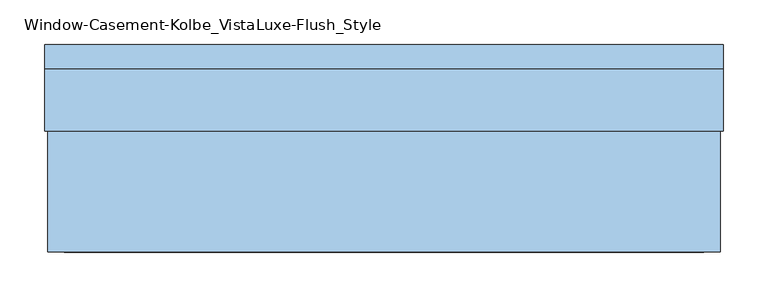
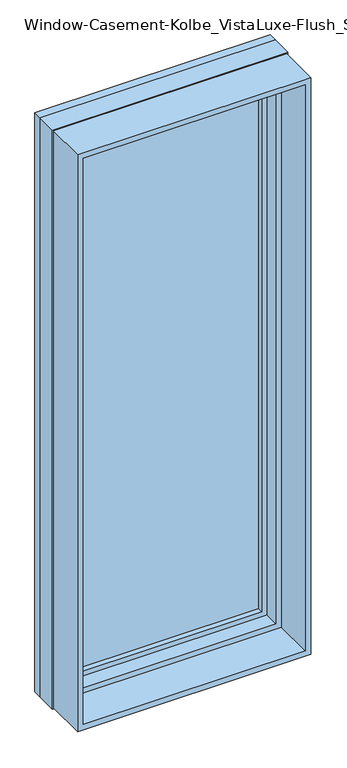
"""IFC4 building model written with IfcOpenShell, lengths in millimetres: window geometry, Window-Casement-Kolbe_VistaLuxe-Flush_Style."""

from ifc_helpers import new_model, si_unit, frame, origin, place, context, project, spatial, polyline, outline, extrude, faceted_brep, source, transform, mapped, element, save


def window_casement_kolbe_vistaluxe_flush_style_8b44ef87(model_context):
    return source(origin(), model_context, "Body", "SolidModel", [
        faceted_brep([(-330.2696599, 121.37898, 970.676875), (319.1765901, 121.37898, 970.676875), (319.1765901, 129.31648, 970.676875), (-330.2696599, 129.31648, 970.676875), (-346.1446599, 99.12858, 954.801875), (335.0515901, 99.12858, 954.801875), (335.0515901, 121.37898, 954.801875), (-346.1446599, 121.37898, 954.801875), (-330.2696599, 80.10398, 970.676875), (319.1765901, 80.10398, 970.676875), (319.1765901, 99.12858, 970.676875), (-330.2696599, 99.12858, 970.676875), (-374.7196599, 129.31648, 926.226875), (363.6265901, 129.31648, 926.226875), (363.6265901, 80.10398, 926.226875), (-374.7196599, 80.10398, 926.226875), (319.1765901, 121.37898, 2839.323125), (319.1765901, 129.31648, 2839.323125), (335.0515901, 99.12858, 2855.198125), (335.0515901, 121.37898, 2855.198125), (319.1765901, 80.10398, 2839.323125), (319.1765901, 99.12858, 2839.323125), (363.6265901, 129.31648, 2883.773125), (363.6265901, 80.10398, 2883.773125), (-330.2696599, 121.37898, 2839.323125), (-330.2696599, 129.31648, 2839.323125), (-346.1446599, 99.12858, 2855.198125), (-346.1446599, 121.37898, 2855.198125), (-330.2696599, 80.10398, 2839.323125), (-330.2696599, 99.12858, 2839.323125), (-374.7196599, 129.31648, 2883.773125), (-374.7196599, 80.10398, 2883.773125)], [[[0, 1, 2, 3]], [[4, 5, 6, 7]], [[8, 9, 10, 11]], [[12, 13, 14, 15]], [[1, 16, 17, 2]], [[5, 18, 19, 6]], [[9, 20, 21, 10]], [[13, 22, 23, 14]], [[16, 24, 25, 17]], [[18, 26, 27, 19]], [[20, 28, 29, 21]], [[22, 30, 31, 23]], [[24, 0, 3, 25]], [[7, 6, 19, 27], [1, 0, 24, 16]], [[26, 4, 7, 27]], [[5, 4, 26, 18], [11, 10, 21, 29]], [[28, 8, 11, 29]], [[15, 14, 23, 31], [9, 8, 28, 20]], [[30, 12, 15, 31]], [[13, 12, 30, 22], [3, 2, 17, 25]]]),
        extrude(outline(polyline([(2892.0186, -382.9651349), (917.9814, -382.9651349), (917.9814, 371.8720651), (2892.0186, 371.8720651), (2892.0186, -382.9651349)]), holes=[polyline([(936.545625, -364.4009099), (2873.454375, -364.4009099), (2873.454375, 353.3078401), (936.545625, 353.3078401), (936.545625, -364.4009099)])]), frame((0.0, -103.1875, 0.0), z_axis=(0.0, 1.0, 0.0), x_axis=(0.0, 0.0, 1.0)), (0.0, 0.0, 1.0), 135.7122),
        extrude(outline(polyline([(2895.6, 375.4534651), (2895.6, -386.5465349), (914.4, -386.5465349), (914.4, 375.4534651), (2895.6, 375.4534651)]), holes=[polyline([(2883.773125, -374.7196599), (2883.773125, 363.6265901), (926.226875, 363.6265901), (926.226875, -374.7196599), (2883.773125, -374.7196599)])]), frame((0.0, 103.1875, 0.0), z_axis=(0.0, 1.0, 0.0), x_axis=(0.0, 0.0, 1.0)), (0.0, 0.0, 1.0), 26.924),
        faceted_brep([(375.4534651, 32.5247, 914.4), (-386.5465349, 32.5247, 914.4), (-386.5465349, 103.1875, 914.4), (375.4534651, 103.1875, 914.4), (353.3078401, 80.10525, 936.545625), (-364.4009099, 80.10525, 936.545625), (-364.4009099, 32.5247, 936.545625), (353.3078401, 32.5247, 936.545625), (363.6265901, 103.1875, 926.226875), (-374.7196599, 103.1875, 926.226875), (-374.7196599, 80.10525, 926.226875), (363.6265901, 80.10525, 926.226875), (-386.5465349, 32.5247, 2895.6), (-386.5465349, 103.1875, 2895.6), (-364.4009099, 80.10525, 2873.454375), (-364.4009099, 32.5247, 2873.454375), (-374.7196599, 103.1875, 2883.773125), (-374.7196599, 80.10525, 2883.773125), (375.4534651, 32.5247, 2895.6), (375.4534651, 103.1875, 2895.6), (353.3078401, 80.10525, 2873.454375), (353.3078401, 32.5247, 2873.454375), (363.6265901, 103.1875, 2883.773125), (363.6265901, 80.10525, 2883.773125)], [[[0, 1, 2, 3]], [[4, 5, 6, 7]], [[8, 9, 10, 11]], [[1, 12, 13, 2]], [[5, 14, 15, 6]], [[9, 16, 17, 10]], [[12, 18, 19, 13]], [[14, 20, 21, 15]], [[16, 22, 23, 17]], [[18, 0, 3, 19]], [[1, 0, 18, 12], [7, 6, 15, 21]], [[20, 4, 7, 21]], [[11, 10, 17, 23], [5, 4, 20, 14]], [[22, 8, 11, 23]], [[3, 2, 13, 19], [9, 8, 22, 16]]]),
        extrude(outline(polyline([(331.8765901, 102.30358), (331.8765901, 99.12858), (-342.9696599, 99.12858), (-342.9696599, 102.30358), (331.8765901, 102.30358)])), frame((0.0, 0.0, 957.976875), z_axis=(0.0, 0.0, 1.0), x_axis=(1.0, 0.0, 0.0)), (0.0, 0.0, 1.0), 1894.04625),
        extrude(outline(polyline([(331.8765901, 118.20398), (-342.9696599, 118.20398), (-342.9696599, 121.37898), (331.8765901, 121.37898), (331.8765901, 118.20398)])), frame((0.0, 0.0, 957.976875), z_axis=(0.0, 0.0, 1.0), x_axis=(1.0, 0.0, 0.0)), (0.0, 0.0, 1.0), 1894.04625),
        extrude(outline(polyline([(936.545625, -364.4009099), (936.545625, 353.3078401), (2873.454375, 353.3078401), (2873.454375, -364.4009099), (936.545625, -364.4009099)]), holes=[polyline([(954.801875, 335.0515901), (954.801875, -346.1446599), (2855.198125, -346.1446599), (2855.198125, 335.0515901), (954.801875, 335.0515901)])]), frame((0.0, 29.30525, 0.0), z_axis=(0.0, 1.0, 0.0), x_axis=(0.0, 0.0, 1.0)), (0.0, 0.0, 1.0), 50.8),
    ])


if __name__ == "__main__":
    model = new_model("IFC4")
    model_context = context("Model", 3, world=origin())
    ifc_project = project(units=[si_unit("LENGTHUNIT", "METRE", prefix="MILLI")], contexts=[model_context])
    site = spatial("IfcSite", under=ifc_project)
    building = spatial("IfcBuilding", under=site)
    placement = place(None, origin())
    window_casement_kolbe_vistaluxe_flush_style_shape = window_casement_kolbe_vistaluxe_flush_style_8b44ef87(model_context)
    element("IfcWindow", 1, ObjectType="Window-Casement-Kolbe_VistaLuxe-Flush_Style", at=placement, inside=building, context=model_context, shape_type="MappedRepresentation", body=[
        mapped(window_casement_kolbe_vistaluxe_flush_style_shape, transform((0.0, 0.0, 0.0), x_axis=(1.0, 0.0, 0.0), y_axis=(0.0, 1.0, 0.0), z_axis=(0.0, 0.0, 1.0))),
    ])
    save(model, "model.ifc")
